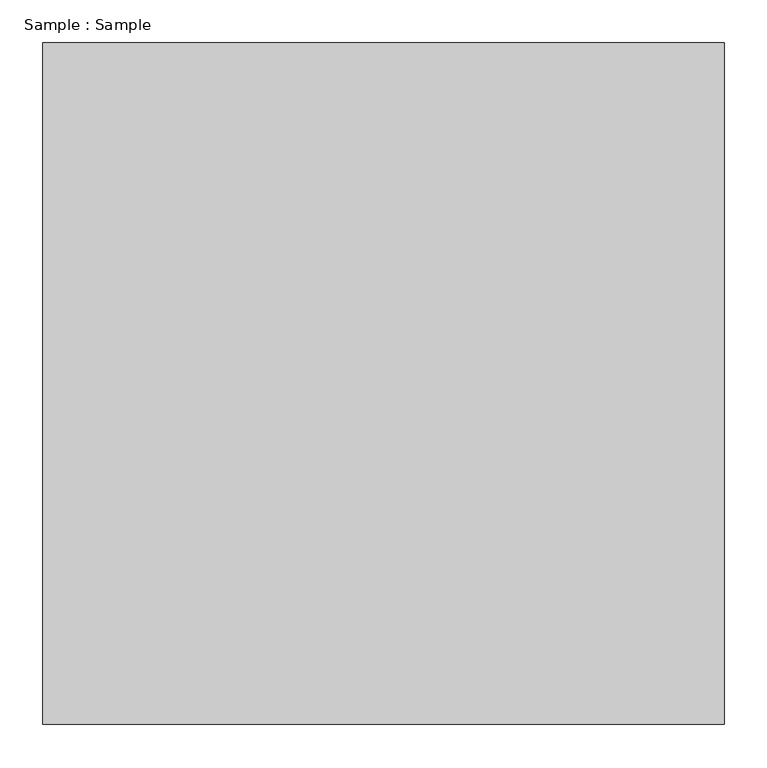
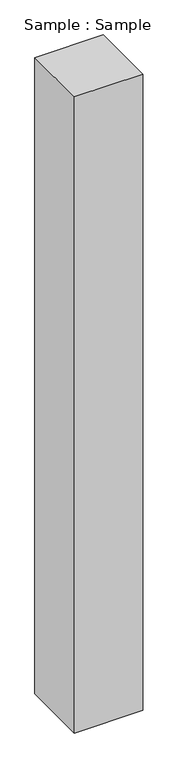
"""IFC4 building model written with IfcOpenShell, lengths in millimetres: proxy geometry, Sample : Sample."""

import ifcopenshell
import ifcopenshell.guid

model = None  # the IFC model being written
_history = None  # IfcOwnerHistory: only IFC2X3 demands one
_inside = {}  # id of a spatial element -> (the spatial element, [elements in it])
_under = {}  # id of a project, library or spatial element -> (it, [spatial elements below it])
_declared = {}  # id of a project -> (the project, [libraries it declares])
_typed = {}  # id of a type object -> (the type object, [elements of that type])
_made_of = {}  # id of a material, layer set ... -> (it, [elements and type objects made of it])


def new_model(schema):
    """Start an empty IFC model of exactly this schema.

    Asked for "IFC4X3", IfcOpenShell would pick the latest addendum, in which some entities
    have other attributes; the version numbers below select the first issue.
    IFC2X3 requires an IfcOwnerHistory on every rooted entity: one is made here for all.
    """
    global model, _history
    if schema == "IFC4X3":
        model = ifcopenshell.file(schema_version=(4, 3, 0, 0))
    else:
        model = ifcopenshell.file(schema=schema)
    _inside.clear()
    _under.clear()
    _declared.clear()
    _typed.clear()
    _made_of.clear()
    _history = None
    if model.schema == "IFC2X3":
        org = make("IfcOrganization", Name="unknown")
        user = make(
            "IfcPersonAndOrganization",
            ThePerson=make("IfcPerson", FamilyName="unknown"),
            TheOrganization=org,
        )
        app = make(
            "IfcApplication",
            ApplicationDeveloper=org,
            Version="unknown",
            ApplicationFullName="unknown",
            ApplicationIdentifier="unknown",
        )
        _history = make(
            "IfcOwnerHistory",
            OwningUser=user,
            OwningApplication=app,
            ChangeAction="ADDED",
            CreationDate=0,
        )
    return model


def make(cls, **values):
    """One entity of the class cls with the attributes given. An attribute that is None is left unset."""
    return model.create_entity(
        cls, **{name: value for name, value in values.items() if value is not None}
    )


def rooted(cls, **values):
    """An entity with a GlobalId (a new one), such as an element, a storey or a relation."""
    return make(cls, GlobalId=ifcopenshell.guid.new(), OwnerHistory=_history, **values)


def si_unit(unit_type, name, prefix=None):
    """IfcSIUnit, for example si_unit("LENGTHUNIT", "METRE", prefix="MILLI")."""
    return make("IfcSIUnit", UnitType=unit_type, Prefix=prefix, Name=name)


def assignment(units):
    """IfcUnitAssignment: the units of a project."""
    return None if units is None else make("IfcUnitAssignment", Units=units)


def point(xyz):
    """IfcCartesianPoint."""
    return None if xyz is None else make("IfcCartesianPoint", Coordinates=xyz)


def direction(xyz):
    """IfcDirection."""
    return None if xyz is None else make("IfcDirection", DirectionRatios=xyz)


def frame(location, z_axis=None, x_axis=None):
    """IfcAxis2Placement3D, a coordinate frame: its origin and axes. An axis left out is left unset."""
    return make(
        "IfcAxis2Placement3D",
        Location=point(location),
        Axis=direction(z_axis),
        RefDirection=direction(x_axis),
    )


def origin():
    """The frame at (0, 0, 0) with its axes left unset."""
    return frame((0.0, 0.0, 0.0))


def origin_with_axes():
    """The frame at (0, 0, 0) with the z axis (0, 0, 1) and the x axis (1, 0, 0) written out."""
    return frame((0.0, 0.0, 0.0), z_axis=(0.0, 0.0, 1.0), x_axis=(1.0, 0.0, 0.0))


def place(relative_to, where):
    """IfcLocalPlacement: puts the frame where relative to a parent placement (None: the world)."""
    return make(
        "IfcLocalPlacement", PlacementRelTo=relative_to, RelativePlacement=where
    )


def context(
    kind, dimensions, precision=None, world=None, true_north=None, identifier=None
):
    """IfcGeometricRepresentationContext, for example the 3D "Model" context."""
    return make(
        "IfcGeometricRepresentationContext",
        ContextIdentifier=identifier,
        ContextType=kind,
        CoordinateSpaceDimension=dimensions,
        Precision=precision,
        WorldCoordinateSystem=world,
        TrueNorth=true_north,
    )


def project(units=None, contexts=None):
    """IfcProject with its units and contexts."""
    return rooted(
        "IfcProject",
        Name="project",
        RepresentationContexts=contexts,
        UnitsInContext=assignment(units),
    )


def spatial(cls, under=None, at=None, **own):
    """A site, building, storey or space (cls), placed at a placement, below another one or the project."""
    s = rooted(cls, ObjectPlacement=at, **own)
    if under is not None:
        _under.setdefault(under.id(), (under, []))[1].append(s)
    return s


def polyline(points):
    """IfcPolyline through the points."""
    return make("IfcPolyline", Points=[point(p) for p in points])


def outline(outer, holes=None, kind="AREA"):
    """IfcArbitraryClosedProfileDef: a profile drawn as a closed curve; with holes, ...WithVoids."""
    if holes is None:
        return make("IfcArbitraryClosedProfileDef", ProfileType=kind, OuterCurve=outer)
    return make(
        "IfcArbitraryProfileDefWithVoids",
        ProfileType=kind,
        OuterCurve=outer,
        InnerCurves=holes,
    )


def extrude(swept, where, along, depth):
    """IfcExtrudedAreaSolid: the profile swept, set in the frame where, extruded along a direction by depth."""
    return make(
        "IfcExtrudedAreaSolid",
        SweptArea=swept,
        Position=where,
        ExtrudedDirection=direction(along),
        Depth=depth,
    )


def shape(context_of_items, identifier, shape_type, items):
    """IfcShapeRepresentation: the items that make up one representation, for example the "Body"."""
    return make(
        "IfcShapeRepresentation",
        ContextOfItems=context_of_items,
        RepresentationIdentifier=identifier,
        RepresentationType=shape_type,
        Items=items,
    )


def source(mapping_origin, context_of_items, identifier, shape_type, items):
    """IfcRepresentationMap: a shape defined once, which mapped items show again and again."""
    return make(
        "IfcRepresentationMap",
        MappingOrigin=mapping_origin,
        MappedRepresentation=shape(context_of_items, identifier, shape_type, items),
    )


def transform(
    local_origin,
    x_axis=None,
    y_axis=None,
    z_axis=None,
    scale=None,
    scale2=None,
    scale3=None,
    uniform=True,
):
    """IfcCartesianTransformationOperator3D, or its non-uniform kind. x_axis, y_axis, z_axis: its Axis1, 2, 3."""
    if uniform:
        return make(
            "IfcCartesianTransformationOperator3D",
            Axis1=direction(x_axis),
            Axis2=direction(y_axis),
            LocalOrigin=point(local_origin),
            Scale=scale,
            Axis3=direction(z_axis),
        )
    return make(
        "IfcCartesianTransformationOperator3DnonUniform",
        Axis1=direction(x_axis),
        Axis2=direction(y_axis),
        LocalOrigin=point(local_origin),
        Scale=scale,
        Axis3=direction(z_axis),
        Scale2=scale2,
        Scale3=scale3,
    )


def mapped(mapping_source, mapping_target):
    """IfcMappedItem: shows the shape of a source again, moved by a transform."""
    return make(
        "IfcMappedItem", MappingSource=mapping_source, MappingTarget=mapping_target
    )


def made_of(thing, what):
    """Note that an element or type object is made of a material, layer set ...; save() writes the relation."""
    if what is not None:
        _made_of.setdefault(what.id(), (what, []))[1].append(thing)
    return thing


def element(
    cls,
    number,
    at=None,
    inside=None,
    cuts=None,
    type_object=None,
    material=None,
    context=None,
    identifier="Body",
    shape_type=None,
    held_by="IfcProductDefinitionShape",
    body=None,
    shapes=None,
    **own,
):
    """One element of the class cls, such as IfcWall. Its Tag is "e" and its number.

    at: its placement. inside: the storey or other place that contains it. cuts: it is an
    opening in that element (IfcRelVoidsElement). A single representation is given by context,
    identifier, shape_type and body (its items); several are given by shapes. held_by: the class
    of the entity that holds the representations. save() writes the other relations.
    """
    e = rooted(cls, Tag="e%d" % number, ObjectPlacement=at, **own)
    if body is not None:
        shapes = [shape(context, identifier, shape_type, body)]
    if shapes is not None:
        e.Representation = make(held_by, Representations=shapes)
    if inside is not None:
        _inside.setdefault(inside.id(), (inside, []))[1].append(e)
    if cuts is not None:
        rooted(
            "IfcRelVoidsElement", RelatingBuildingElement=cuts, RelatedOpeningElement=e
        )
    if type_object is not None:
        _typed.setdefault(type_object.id(), (type_object, []))[1].append(e)
    return made_of(e, material)


def aggregate(whole, parts):
    """IfcRelAggregates: a whole, such as a stair, and the parts it consists of."""
    return rooted("IfcRelAggregates", RelatingObject=whole, RelatedObjects=parts)


def save(model, path):
    """Write the relations noted so far, then the file.

    IfcRelAggregates (storeys below a building ...), IfcRelContainedInSpatialStructure (elements
    in a storey), IfcRelDefinesByType, IfcRelAssociatesMaterial and IfcRelDeclares: one each for
    every whole, place, type object, material and project.
    """
    for whole, parts in _under.values():
        aggregate(whole, parts)
    for where, things in _inside.values():
        rooted(
            "IfcRelContainedInSpatialStructure",
            RelatedElements=things,
            RelatingStructure=where,
        )
    for kind, things in _typed.values():
        rooted("IfcRelDefinesByType", RelatedObjects=things, RelatingType=kind)
    for what, things in _made_of.values():
        rooted("IfcRelAssociatesMaterial", RelatedObjects=things, RelatingMaterial=what)
    for by, libraries in _declared.values():
        rooted("IfcRelDeclares", RelatingContext=by, RelatedDefinitions=libraries)
    model.write(path)


def sample_sample_42802483(model_context):
    return source(origin(), model_context, "Body", "SweptSolid", [
        extrude(outline(polyline([(400.0, 400.0), (400.0, -400.0), (-400.0, -400.0), (-400.0, 400.0), (400.0, 400.0)])), origin_with_axes(), (0.0, 0.0, 1.0), 7862.0689655),
    ])


if __name__ == "__main__":
    model = new_model("IFC4")
    model_context = context("Model", 3, world=origin())
    ifc_project = project(units=[si_unit("LENGTHUNIT", "METRE", prefix="MILLI")], contexts=[model_context])
    site = spatial("IfcSite", under=ifc_project)
    building = spatial("IfcBuilding", under=site)
    placement = place(None, origin())
    sample_sample_shape = sample_sample_42802483(model_context)
    element("IfcBuildingElementProxy", 1, Name="Sample : Sample", ObjectType="Sample : Sample", at=placement, inside=building, context=model_context, shape_type="MappedRepresentation", body=[
        mapped(sample_sample_shape, transform((0.0, 0.0, 0.0), x_axis=(1.0, 0.0, 0.0), y_axis=(0.0, 1.0, 0.0), z_axis=(0.0, 0.0, 1.0))),
    ])
    save(model, "model.ifc")
